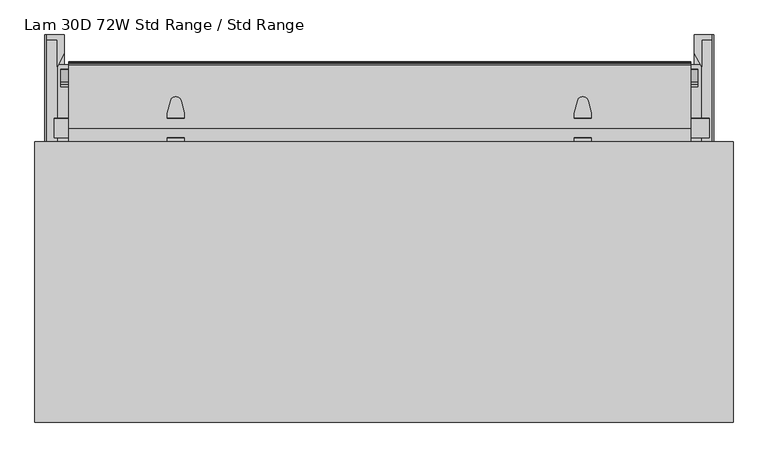
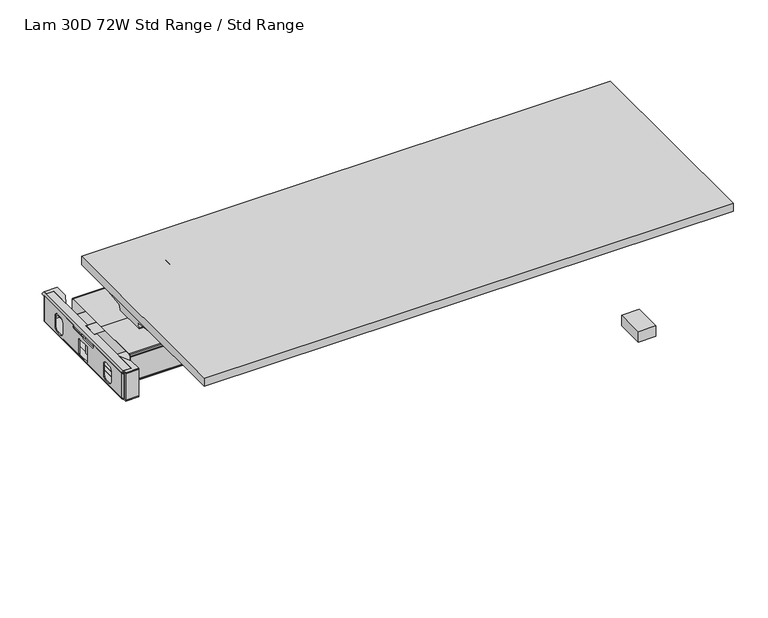
"""IFC4 building model written with IfcOpenShell, lengths in millimetres: furniture geometry, Lam 30D 72W Std Range / Std Range."""

from ifc_helpers import new_model, si_unit, point, frame, frame_2d, origin, place, context, project, spatial, polyline, circle_curve, ellipse_curve, trimmed, segment, composite_curve, outline, extrude, faceted_brep, source, transform, mapped, element, save
from ifc_brep_helpers import plane_surface, cylinder_surface, revolved_surface, advanced_brep


def lam_30d_72w_std_range_std_range_af6a62ef(model_context):
    return source(origin(), model_context, "Body", "SolidModel", [
        extrude(outline(polyline([(-716.6329639, 627.2010571), (-716.6329639, 639.3704277), (-671.6647785, 639.3704277), (-671.6647785, 627.2010571), (-716.6329639, 627.2010571)])), frame((0.0, 0.0, 329.7517063), z_axis=(0.0, 0.0, 1.0), x_axis=(1.0, 0.0, 0.0)), (0.0, 0.0, 1.0), 2.6568509),
        extrude(outline(polyline([(-690.7147785, 557.0887375), (-690.7147785, 627.4425925), (-716.6329639, 627.4425925), (-716.6329639, 639.3704277), (-671.6647785, 639.3704277), (-671.6647785, 592.5319047), (-690.7147785, 557.0887375)])), frame((0.0, 0.0, 428.6948675), z_axis=(0.0, 0.0, 1.0), x_axis=(1.0, 0.0, 0.0)), (0.0, 0.0, 1.0), 2.6568509),
        extrude(outline(polyline([(-716.6329639, 158.9882127), (-716.6329639, 170.9160479), (-671.6647785, 170.9160479), (-671.6647785, 158.9882127), (-716.6329639, 158.9882127)])), frame((0.0, 0.0, 329.7517063), z_axis=(0.0, 0.0, 1.0), x_axis=(1.0, 0.0, 0.0)), (0.0, 0.0, 1.0), 2.6568509),
        extrude(outline(polyline([(-716.6329639, 158.9882127), (-716.6329639, 165.0842069), (-671.6647785, 165.0842069), (-671.6647785, 158.9882127), (-716.6329639, 158.9882127)])), frame((0.0, 0.0, 332.4085572), z_axis=(0.0, 0.0, 1.0), x_axis=(1.0, 0.0, 0.0)), (0.0, 0.0, 1.0), 96.2863103),
        extrude(outline(polyline([(-690.766129, 241.2699029), (-671.6647785, 205.8267357), (-671.6647785, 158.9882127), (-716.6329639, 158.9882127), (-716.6329639, 170.9160479), (-690.766129, 170.9160479), (-690.766129, 241.2699029)])), frame((0.0, 0.0, 428.6948675), z_axis=(0.0, 0.0, 1.0), x_axis=(1.0, 0.0, 0.0)), (0.0, 0.0, 1.0), 2.6568509),
        extrude(outline(composite_curve([segment(trimmed(circle_curve(frame_2d((-716.684237, 170.9160479)), 5.8318411), [point((-716.684237, 165.0842069))], [point((-722.5160781, 170.9160479))], False, "CARTESIAN"), True, "CONTINUOUS"), segment(polyline([(-722.5160781, 170.9160479), (-719.8593386, 170.9160479)]), True, "CONTINUOUS"), segment(trimmed(circle_curve(frame_2d((-716.6843029, 170.9160843)), 3.1750357), [point((-719.8593386, 170.9160479))], [point((-716.6144408, 167.7418174))], True, "CARTESIAN"), True, "CONTINUOUS"), segment(polyline([(-716.6144408, 167.7418174), (-671.6647785, 167.7418174), (-671.6647785, 165.0842069), (-716.684237, 165.0842069)]), True, "CONTINUOUS")], self_intersect=False)), frame((0.0, 0.0, 337.371699), z_axis=(0.0, 0.0, 1.0), x_axis=(1.0, 0.0, 0.0)), (0.0, 0.0, 1.0), 87.8941627),
        extrude(outline(polyline([(342.9173325, 425.2658616), (337.0354481, 421.6463878), (337.0354481, 416.1853839), (341.0613469, 412.1594669), (457.0505017, 412.1594669), (461.0764369, 416.1853839), (461.0764369, 421.6463878), (454.0472738, 425.9718869), (627.4425766, 425.9718869), (627.4425766, 333.9274688), (170.9160479, 333.9274688), (170.9160479, 425.2658616), (342.9173325, 425.2658616)]), holes=[polyline([(233.9635599, 355.1517184), (235.6650368, 348.8017063), (240.3135539, 344.1531891), (246.663566, 342.4517305), (265.713566, 342.4517305), (272.0635599, 344.1531891), (276.7120862, 348.8017063), (278.413563, 355.1517184), (278.413563, 393.2517184), (276.7120862, 399.6017305), (272.0635599, 404.2502476), (265.713566, 405.9517063), (246.663566, 405.9517063), (240.3135539, 404.2502476), (235.6650368, 399.6017305), (233.9635599, 393.2517184), (233.9635599, 355.1517184)]), polyline([(424.4559432, 341.1336423), (424.4559432, 392.426696), (423.9200452, 394.4267193), (422.4559432, 395.8908015), (420.4559432, 396.4267063), (377.6345424, 396.4267063), (375.6345441, 395.8908015), (374.1704415, 394.4267193), (373.6345435, 392.426696), (373.6345435, 341.1336423), (374.1704415, 339.1336554), (375.6345441, 337.6695369), (377.6345424, 337.1336321), (420.4559432, 337.1336321), (422.4559432, 337.6695369), (423.9200452, 339.1336554), (424.4559432, 341.1336423)]), polyline([(564.1483295, 355.1517184), (564.1483295, 393.2517184), (562.4468527, 399.6017305), (557.7983356, 404.2502476), (551.4483235, 405.9517063), (532.3983235, 405.9517063), (526.0483295, 404.2502476), (521.3998033, 399.6017305), (519.6983265, 393.2517184), (519.6983265, 355.1517184), (521.3998033, 348.8017063), (526.0483295, 344.1531891), (532.3983235, 342.4517305), (551.4483235, 342.4517305), (557.7983356, 344.1531891), (562.4468527, 348.8017063), (564.1483295, 355.1517184)])]), frame((-722.5160781, 0.0, 0.0), z_axis=(1.0, 0.0, 0.0), x_axis=(0.0, 1.0, 0.0)), (0.0, 0.0, 1.0), 2.6568146),
        extrude(outline(composite_curve([segment(trimmed(circle_curve(frame_2d((425.1720964, -716.3268352)), 6.1899531), [point((431.3517184, -716.6843144))], [point((425.2658616, -722.5160781))], False, "CARTESIAN"), True, "CONTINUOUS"), segment(polyline([(425.2658616, -722.5160781), (425.2658616, -719.8895529)]), True, "CONTINUOUS"), segment(trimmed(circle_curve(frame_2d((425.2452738, -716.4400206)), 3.4495937), [point((425.2658616, -719.8895529))], [point((428.6948675, -716.4400206))], True, "CARTESIAN"), True, "CONTINUOUS"), segment(polyline([(428.6948675, -716.4400206), (428.6948675, -690.766129), (431.3517184, -690.766129), (431.3517184, -716.6843144)]), True, "CONTINUOUS")], self_intersect=False)), frame((0.0, 170.9160479, 0.0), z_axis=(0.0, 1.0, 0.0), x_axis=(0.0, 0.0, 1.0)), (0.0, 0.0, 1.0), 468.4543798),
        extrude(outline(composite_curve([segment(polyline([(-716.6841619, 633.0328981), (-672.5648392, 633.0328981), (-672.5648392, 630.3752876), (-716.6143657, 630.3752876)]), True, "CONTINUOUS"), segment(trimmed(circle_curve(frame_2d((-716.6842278, 627.2010206)), 3.1750357), [point((-716.6143657, 630.3752876))], [point((-719.8592635, 627.2010571))], True, "CARTESIAN"), True, "CONTINUOUS"), segment(polyline([(-719.8592635, 627.2010571), (-722.5160029, 627.2010571)]), True, "CONTINUOUS"), segment(trimmed(circle_curve(frame_2d((-716.6841619, 627.2010571)), 5.8318411), [point((-722.5160029, 627.2010571))], [point((-716.6841619, 633.0328981))], False, "CARTESIAN"), True, "CONTINUOUS")], self_intersect=False)), frame((0.0, 0.0, 337.371699), z_axis=(0.0, 0.0, 1.0), x_axis=(1.0, 0.0, 0.0)), (0.0, 0.0, 1.0), 87.8941627),
        extrude(outline(composite_curve([segment(polyline([(335.5835451, -719.8592635), (335.5835451, -722.5160029)]), True, "CONTINUOUS"), segment(trimmed(circle_curve(frame_2d((335.5835451, -716.6841641)), 5.8318388), [point((335.5835451, -722.5160029))], [point((329.7517063, -716.6841641))], False, "CARTESIAN"), True, "CONTINUOUS"), segment(polyline([(329.7517063, -716.6841641), (329.7517063, -671.6647785), (332.4090868, -671.6647785), (332.4090868, -716.6263376)]), True, "CONTINUOUS"), segment(trimmed(circle_curve(frame_2d((335.5834916, -716.684329)), 3.1749345), [point((332.4090868, -716.6263376))], [point((335.5835451, -719.8592635))], True, "CARTESIAN"), True, "CONTINUOUS")], self_intersect=False)), frame((0.0, 170.9160479, 0.0), z_axis=(0.0, 1.0, 0.0), x_axis=(0.0, 0.0, 1.0)), (0.0, 0.0, 1.0), 456.2850092),
        extrude(outline(polyline([(988.613747, 562.6755316), (988.613747, 235.531324), (-694.0181082, 235.531324), (-694.0181082, 562.6755316), (988.613747, 562.6755316)])), frame((0.0, 0.0, 332.4090868), z_axis=(0.0, 0.0, 1.0), x_axis=(1.0, 0.0, 0.0)), (0.0, 0.0, 1.0), 1.518382),
        extrude(outline(polyline([(997.2505912, 639.3704277), (997.2505912, 633.2744336), (952.2824058, 633.2744336), (952.2824058, 639.3704277), (997.2505912, 639.3704277)])), frame((0.0, 0.0, 332.4085572), z_axis=(0.0, 0.0, 1.0), x_axis=(1.0, 0.0, 0.0)), (0.0, 0.0, 1.0), 96.2863103),
        extrude(outline(polyline([(997.2505912, 639.3704277), (997.2505912, 627.2010571), (952.2824058, 627.2010571), (952.2824058, 639.3704277), (997.2505912, 639.3704277)])), frame((0.0, 0.0, 329.7517063), z_axis=(0.0, 0.0, 1.0), x_axis=(1.0, 0.0, 0.0)), (0.0, 0.0, 1.0), 2.6568509),
        extrude(outline(polyline([(971.3324058, 557.0887375), (952.2824058, 592.5319047), (952.2824058, 639.3704277), (997.2505912, 639.3704277), (997.2505912, 627.4425925), (971.3324058, 627.4425925), (971.3324058, 557.0887375)])), frame((0.0, 0.0, 428.6948675), z_axis=(0.0, 0.0, 1.0), x_axis=(1.0, 0.0, 0.0)), (0.0, 0.0, 1.0), 2.6568509),
        extrude(outline(polyline([(997.2505912, 170.9160479), (997.2505912, 158.9882127), (952.2824058, 158.9882127), (952.2824058, 170.9160479), (997.2505912, 170.9160479)])), frame((0.0, 0.0, 329.7517063), z_axis=(0.0, 0.0, 1.0), x_axis=(1.0, 0.0, 0.0)), (0.0, 0.0, 1.0), 2.6568509),
        extrude(outline(polyline([(997.2505912, 165.0842069), (997.2505912, 158.9882127), (952.2824058, 158.9882127), (952.2824058, 165.0842069), (997.2505912, 165.0842069)])), frame((0.0, 0.0, 332.4085572), z_axis=(0.0, 0.0, 1.0), x_axis=(1.0, 0.0, 0.0)), (0.0, 0.0, 1.0), 96.2863103),
        extrude(outline(polyline([(971.3324058, 241.2699029), (971.3324058, 170.9160479), (997.2505912, 170.9160479), (997.2505912, 158.9882127), (952.2824058, 158.9882127), (952.2824058, 205.8267357), (971.3324058, 241.2699029)])), frame((0.0, 0.0, 428.6948675), z_axis=(0.0, 0.0, 1.0), x_axis=(1.0, 0.0, 0.0)), (0.0, 0.0, 1.0), 2.6568509),
        extrude(outline(composite_curve([segment(polyline([(997.3018643, 165.0842069), (952.2824058, 165.0842069), (952.2824058, 167.7418174), (997.2320682, 167.7418174)]), True, "CONTINUOUS"), segment(trimmed(circle_curve(frame_2d((997.3019303, 170.9160843)), 3.1750357), [point((997.2320682, 167.7418174))], [point((1000.476966, 170.9160479))], True, "CARTESIAN"), True, "CONTINUOUS"), segment(polyline([(1000.476966, 170.9160479), (1003.1337054, 170.9160479)]), True, "CONTINUOUS"), segment(trimmed(circle_curve(frame_2d((997.3018643, 170.9160479)), 5.8318411), [point((1003.1337054, 170.9160479))], [point((997.3018643, 165.0842069))], False, "CARTESIAN"), True, "CONTINUOUS")], self_intersect=False)), frame((0.0, 0.0, 337.371699), z_axis=(0.0, 0.0, 1.0), x_axis=(1.0, 0.0, 0.0)), (0.0, 0.0, 1.0), 87.8941627),
        extrude(outline(polyline([(342.9173325, 425.2658616), (337.0354481, 421.6463878), (337.0354481, 416.1853839), (341.0613469, 412.1594669), (457.0505017, 412.1594669), (461.0764369, 416.1853839), (461.0764369, 421.6463878), (454.0472738, 425.9718869), (627.4425766, 425.9718869), (627.4425766, 333.9274688), (170.9160479, 333.9274688), (170.9160479, 425.2658616), (342.9173325, 425.2658616)]), holes=[polyline([(233.9635599, 355.1517184), (235.6650368, 348.8017063), (240.3135539, 344.1531891), (246.663566, 342.4517305), (265.713566, 342.4517305), (272.0635599, 344.1531891), (276.7120862, 348.8017063), (278.413563, 355.1517184), (278.413563, 393.2517184), (276.7120862, 399.6017305), (272.0635599, 404.2502476), (265.713566, 405.9517063), (246.663566, 405.9517063), (240.3135539, 404.2502476), (235.6650368, 399.6017305), (233.9635599, 393.2517184), (233.9635599, 355.1517184)]), polyline([(424.4559432, 341.1336423), (424.4559432, 392.426696), (423.9200452, 394.4267193), (422.4559432, 395.8908015), (420.4559432, 396.4267063), (377.6345424, 396.4267063), (375.6345441, 395.8908015), (374.1704415, 394.4267193), (373.6345435, 392.426696), (373.6345435, 341.1336423), (374.1704415, 339.1336554), (375.6345441, 337.6695369), (377.6345424, 337.1336321), (420.4559432, 337.1336321), (422.4559432, 337.6695369), (423.9200452, 339.1336554), (424.4559432, 341.1336423)]), polyline([(564.1483295, 355.1517184), (564.1483295, 393.2517184), (562.4468527, 399.6017305), (557.7983356, 404.2502476), (551.4483235, 405.9517063), (532.3983235, 405.9517063), (526.0483295, 404.2502476), (521.3998033, 399.6017305), (519.6983265, 393.2517184), (519.6983265, 355.1517184), (521.3998033, 348.8017063), (526.0483295, 344.1531891), (532.3983235, 342.4517305), (551.4483235, 342.4517305), (557.7983356, 344.1531891), (562.4468527, 348.8017063), (564.1483295, 355.1517184)])]), frame((997.2505912, 0.0, 0.0), z_axis=(1.0, 0.0, 0.0), x_axis=(0.0, 1.0, 0.0)), (0.0, 0.0, 1.0), 3.2262996),
        faceted_brep([(943.1400259, 227.963817, 425.8310036), (943.1400259, 227.963817, 340.2751793), (943.1400259, 227.963817, 338.091367), (943.1400259, 228.9762009, 334.3130557), (943.1400259, 231.7467258, 331.542549), (943.1400259, 235.531324, 330.5284757), (943.1400259, 398.8377457, 330.5284757), (943.1400259, 562.8273164, 330.5284757), (943.1400259, 566.6119146, 331.542549), (943.1400259, 569.3824396, 334.3130557), (943.1400259, 570.3948234, 338.091367), (943.1400259, 570.3948234, 340.2751793), (943.1400259, 570.3948234, 425.8310036), (943.1400259, 569.4215919, 429.4631947), (943.1400259, 566.6102252, 432.3861267), (943.1400259, 562.825627, 433.4002), (943.1400259, 397.785447, 433.4002), (943.1400259, 235.5330134, 433.4002), (943.1400259, 231.7484152, 432.3861267), (943.1400259, 228.9370485, 429.4631947), (943.1400259, 235.5330134, 432.1810157), (943.1400259, 396.9389352, 432.1810157), (943.1400259, 562.825627, 432.1810157), (943.1400259, 566.000633, 431.3302682), (943.1400259, 568.3248916, 429.0059915), (943.1400259, 569.1756391, 425.8310036), (943.1400259, 569.1756391, 340.2751793), (943.1400259, 569.1756391, 338.0914349), (943.1400259, 568.326581, 334.9226842), (943.1400259, 566.0023225, 332.5984075), (943.1400259, 562.8273164, 331.74766), (943.1400259, 397.7786116, 331.74766), (943.1400259, 235.531324, 331.74766), (943.1400259, 232.3563179, 332.5984075), (943.1400259, 230.0320594, 334.9226842), (943.1400259, 229.1830013, 338.0914349), (943.1400259, 229.1830013, 340.2751793), (943.1400259, 229.1830013, 425.8310036), (943.1400259, 230.0337488, 429.0059915), (943.1400259, 232.3580074, 431.3302682), (-660.9408985, 227.963817, 425.8310036), (-660.9408985, 228.9370485, 429.4631947), (-660.9408985, 231.7484152, 432.3861267), (-660.9408985, 235.5330134, 433.4002), (-660.9408985, 397.785447, 433.4002), (-660.9408985, 562.825627, 433.4002), (-660.9408985, 566.6102252, 432.3861267), (-660.9408985, 569.4215919, 429.4631947), (-660.9408985, 570.3948234, 425.8310036), (-660.9408985, 570.3948234, 340.2751793), (-660.9408985, 570.3948234, 338.091367), (-660.9408985, 569.3824396, 334.3130557), (-660.9408985, 566.6119146, 331.542549), (-660.9408985, 562.8273164, 330.5284757), (-660.9408985, 398.8377457, 330.5284757), (-660.9408985, 235.531324, 330.5284757), (-660.9408985, 231.7467258, 331.542549), (-660.9408985, 228.9762009, 334.3130557), (-660.9408985, 227.963817, 338.091367), (-660.9408985, 227.963817, 340.2751793), (-660.9408985, 235.5330134, 432.1810157), (-660.9408985, 232.3580074, 431.3302682), (-660.9408985, 230.0337488, 429.0059915), (-660.9408985, 229.1830013, 425.8310036), (-660.9408985, 229.1830013, 340.2751793), (-660.9408985, 229.1830013, 338.0914349), (-660.9408985, 230.0320594, 334.9226842), (-660.9408985, 232.3563179, 332.5984075), (-660.9408985, 235.531324, 331.74766), (-660.9408985, 397.7786116, 331.74766), (-660.9408985, 562.8273164, 331.74766), (-660.9408985, 566.0023225, 332.5984075), (-660.9408985, 568.326581, 334.9226842), (-660.9408985, 569.1756391, 338.0914349), (-660.9408985, 569.1756391, 340.2751793), (-660.9408985, 569.1756391, 425.8310036), (-660.9408985, 568.3248916, 429.0059915), (-660.9408985, 566.000633, 431.3302682), (-660.9408985, 562.825627, 432.1810157), (-660.9408985, 396.9389352, 432.1810157), (-406.7047758, 360.9565261, 432.1810157), (-398.0451218, 328.5218157, 432.1810157), (-395.6303984, 323.3434246, 432.1810157), (-391.1899754, 319.7476409, 432.1810157), (-385.6226676, 318.4623267, 432.1810157), (-383.336917, 318.4623267, 432.1810157), (-377.7696093, 319.7476409, 432.1810157), (-373.3291863, 323.3434246, 432.1810157), (-370.9144421, 328.5218604, 432.1810157), (-362.2548, 360.9565261, 432.1810157), (-362.2548, 373.6565253, 432.1810157), (-406.7047758, 373.6565253, 432.1810157), (687.2587307, 360.9565261, 432.1810157), (687.2587307, 373.6565253, 432.1810157), (642.8087549, 373.6565253, 432.1810157), (642.8087549, 360.9565261, 432.1810157), (651.468397, 328.5218604, 432.1810157), (653.8831412, 323.3434246, 432.1810157), (658.3235642, 319.7476409, 432.1810157), (663.890872, 318.4623267, 432.1810157), (666.1766226, 318.4623267, 432.1810157), (671.7439303, 319.7476409, 432.1810157), (676.1843533, 323.3434246, 432.1810157), (678.5990767, 328.5218157, 432.1810157), (-398.0451218, 328.5218157, 433.4002), (-406.7047758, 360.9565261, 433.4002), (-406.7047758, 373.6565253, 433.4002), (-362.2548, 373.6565253, 433.4002), (-362.2548, 360.9565261, 433.4002), (-370.9144421, 328.5218604, 433.4002), (-373.3291863, 323.3434246, 433.4002), (-377.7696093, 319.7476409, 433.4002), (-383.336917, 318.4623267, 433.4002), (-385.6226676, 318.4623267, 433.4002), (-391.1899754, 319.7476409, 433.4002), (-395.6303984, 323.3434246, 433.4002), (687.2587307, 373.6565253, 433.4002), (687.2587307, 360.9565261, 433.4002), (678.5990767, 328.5218157, 433.4002), (676.1843533, 323.3434246, 433.4002), (671.7439303, 319.7476409, 433.4002), (666.1766226, 318.4623267, 433.4002), (663.890872, 318.4623267, 433.4002), (658.3235642, 319.7476409, 433.4002), (653.8831412, 323.3434246, 433.4002), (651.468397, 328.5218604, 433.4002), (642.8087549, 360.9565261, 433.4002), (642.8087549, 373.6565253, 433.4002), (-406.7047758, 424.7021151, 433.4002), (-406.7047758, 437.4021143, 433.4002), (-398.0451218, 469.8368247, 433.4002), (-395.6303984, 475.0152158, 433.4002), (-391.1899754, 478.6109995, 433.4002), (-385.6226676, 479.8963137, 433.4002), (-383.336917, 479.8963137, 433.4002), (-377.7696093, 478.6109995, 433.4002), (-373.3291863, 475.0152158, 433.4002), (-370.9144421, 469.83678, 433.4002), (-362.2548, 437.4021143, 433.4002), (-362.2548, 424.7021151, 433.4002), (678.5990767, 469.8368247, 433.4002), (687.2587307, 437.4021143, 433.4002), (687.2587307, 424.7021151, 433.4002), (642.8087549, 424.7021151, 433.4002), (642.8087549, 437.4021143, 433.4002), (651.468397, 469.83678, 433.4002), (653.8831412, 475.0152158, 433.4002), (658.3235642, 478.6109995, 433.4002), (663.890872, 479.8963137, 433.4002), (666.1766226, 479.8963137, 433.4002), (671.7439303, 478.6109995, 433.4002), (676.1843533, 475.0152158, 433.4002), (-406.7047758, 437.4021143, 432.1810157), (-406.7047758, 424.7021151, 432.1810157), (-362.2548, 424.7021151, 432.1810157), (-362.2548, 437.4021143, 432.1810157), (-370.9144421, 469.83678, 432.1810157), (-373.3291863, 475.0152158, 432.1810157), (-377.7696093, 478.6109995, 432.1810157), (-383.336917, 479.8963137, 432.1810157), (-385.6226676, 479.8963137, 432.1810157), (-391.1899754, 478.6109995, 432.1810157), (-395.6303984, 475.0152158, 432.1810157), (-398.0451218, 469.8368247, 432.1810157), (687.2587307, 437.4021143, 432.1810157), (678.5990767, 469.8368247, 432.1810157), (676.1843533, 475.0152158, 432.1810157), (671.7439303, 478.6109995, 432.1810157), (666.1766226, 479.8963137, 432.1810157), (663.890872, 479.8963137, 432.1810157), (658.3235642, 478.6109995, 432.1810157), (653.8831412, 475.0152158, 432.1810157), (651.468397, 469.83678, 432.1810157), (642.8087549, 437.4021143, 432.1810157), (642.8087549, 424.7021151, 432.1810157), (687.2587307, 424.7021151, 432.1810157)], [[[0, 1, 2, 3, 4, 5, 6, 7, 8, 9, 10, 11, 12, 13, 14, 15, 16, 17, 18, 19], [20, 21, 22, 23, 24, 25, 26, 27, 28, 29, 30, 31, 32, 33, 34, 35, 36, 37, 38, 39]], [[40, 41, 42, 43, 44, 45, 46, 47, 48, 49, 50, 51, 52, 53, 54, 55, 56, 57, 58, 59], [60, 61, 62, 63, 64, 65, 66, 67, 68, 69, 70, 71, 72, 73, 74, 75, 76, 77, 78, 79]], [[37, 36, 64, 63]], [[38, 37, 63, 62]], [[39, 38, 62, 61]], [[20, 39, 61, 60]], [[21, 20, 60, 79], [80, 81, 82, 83, 84, 85, 86, 87, 88, 89, 90, 91], [92, 93, 94, 95, 96, 97, 98, 99, 100, 101, 102, 103]], [[17, 16, 44, 43], [104, 105, 106, 107, 108, 109, 110, 111, 112, 113, 114, 115], [116, 117, 118, 119, 120, 121, 122, 123, 124, 125, 126, 127]], [[18, 17, 43, 42]], [[19, 18, 42, 41]], [[0, 19, 41, 40]], [[1, 0, 40, 59]], [[2, 1, 59, 58]], [[3, 2, 58, 57]], [[4, 3, 57, 56]], [[5, 4, 56, 55]], [[6, 5, 55, 54]], [[7, 6, 54, 53]], [[8, 7, 53, 52]], [[9, 8, 52, 51]], [[10, 9, 51, 50]], [[11, 10, 50, 49]], [[12, 11, 49, 48]], [[13, 12, 48, 47]], [[14, 13, 47, 46]], [[15, 14, 46, 45]], [[16, 15, 45, 44], [128, 129, 130, 131, 132, 133, 134, 135, 136, 137, 138, 139], [140, 141, 142, 143, 144, 145, 146, 147, 148, 149, 150, 151]], [[22, 21, 79, 78], [152, 153, 154, 155, 156, 157, 158, 159, 160, 161, 162, 163], [164, 165, 166, 167, 168, 169, 170, 171, 172, 173, 174, 175]], [[23, 22, 78, 77]], [[24, 23, 77, 76]], [[25, 24, 76, 75]], [[26, 25, 75, 74]], [[27, 26, 74, 73]], [[28, 27, 73, 72]], [[29, 28, 72, 71]], [[30, 29, 71, 70]], [[31, 30, 70, 69]], [[32, 31, 69, 68]], [[33, 32, 68, 67]], [[34, 33, 67, 66]], [[35, 34, 66, 65]], [[36, 35, 65, 64]], [[80, 105, 104, 81]], [[81, 104, 115, 82]], [[82, 115, 114, 83]], [[83, 114, 113, 84]], [[84, 113, 112, 85]], [[85, 112, 111, 86]], [[86, 111, 110, 87]], [[87, 110, 109, 88]], [[88, 109, 108, 89]], [[89, 108, 107, 90]], [[90, 107, 106, 91]], [[105, 80, 91, 106]], [[92, 117, 116, 93]], [[93, 116, 127, 94]], [[94, 127, 126, 95]], [[95, 126, 125, 96]], [[96, 125, 124, 97]], [[97, 124, 123, 98]], [[98, 123, 122, 99]], [[99, 122, 121, 100]], [[100, 121, 120, 101]], [[101, 120, 119, 102]], [[102, 119, 118, 103]], [[117, 92, 103, 118]], [[152, 129, 128, 153]], [[153, 128, 139, 154]], [[154, 139, 138, 155]], [[155, 138, 137, 156]], [[156, 137, 136, 157]], [[157, 136, 135, 158]], [[158, 135, 134, 159]], [[159, 134, 133, 160]], [[160, 133, 132, 161]], [[161, 132, 131, 162]], [[162, 131, 130, 163]], [[129, 152, 163, 130]], [[164, 141, 140, 165]], [[165, 140, 151, 166]], [[166, 151, 150, 167]], [[167, 150, 149, 168]], [[168, 149, 148, 169]], [[169, 148, 147, 170]], [[170, 147, 146, 171]], [[171, 146, 145, 172]], [[172, 145, 144, 173]], [[173, 144, 143, 174]], [[174, 143, 142, 175]], [[141, 164, 175, 142]]]),
        extrude(outline(composite_curve([segment(trimmed(circle_curve(frame_2d((422.8428694, 431.8444538)), 1.5557462), [point((422.8428694, 433.4002))], [point((424.3986156, 431.8444538))], False, "CARTESIAN"), True, "CONTINUOUS"), segment(polyline([(424.3986156, 431.8444538), (424.3986156, 333.9274688), (374.3606156, 333.9274688), (374.3606156, 433.4002), (422.8428694, 433.4002)]), True, "CONTINUOUS")], self_intersect=False)), frame((-698.3783882, 0.0, 0.0), z_axis=(1.0, 0.0, 0.0), x_axis=(0.0, 1.0, 0.0)), (0.0, 0.0, 1.0), 1689.2789923),
        extrude(outline(composite_curve([segment(polyline([(431.3517184, 997.2505912), (431.3517184, 971.3324058), (428.6948675, 971.3324058), (428.6948675, 997.0062975)]), True, "CONTINUOUS"), segment(trimmed(circle_curve(frame_2d((425.2452738, 997.0062975)), 3.4495937), [point((428.6948675, 997.0062975))], [point((425.2658616, 1000.4558297))], True, "CARTESIAN"), True, "CONTINUOUS"), segment(polyline([(425.2658616, 1000.4558297), (425.2658616, 1003.0823549)]), True, "CONTINUOUS"), segment(trimmed(circle_curve(frame_2d((425.1720964, 996.893112)), 6.1899531), [point((425.2658616, 1003.0823549))], [point((431.3517184, 997.2505912))], False, "CARTESIAN"), True, "CONTINUOUS")], self_intersect=False)), frame((0.0, 170.9160479, 0.0), z_axis=(0.0, 1.0, 0.0), x_axis=(0.0, 0.0, 1.0)), (0.0, 0.0, 1.0), 468.4543798),
        extrude(outline(composite_curve([segment(trimmed(circle_curve(frame_2d((996.4017284, 627.2010571)), 5.8318411), [point((996.4017284, 633.0328981))], [point((1002.2335695, 627.2010571))], False, "CARTESIAN"), True, "CONTINUOUS"), segment(polyline([(1002.2335695, 627.2010571), (999.5768301, 627.2010571)]), True, "CONTINUOUS"), segment(trimmed(circle_curve(frame_2d((996.4017944, 627.2010206)), 3.1750357), [point((999.5768301, 627.2010571))], [point((996.3319323, 630.3752876))], True, "CARTESIAN"), True, "CONTINUOUS"), segment(polyline([(996.3319323, 630.3752876), (952.2824058, 630.3752876), (952.2824058, 633.0328981), (996.4017284, 633.0328981)]), True, "CONTINUOUS")], self_intersect=False)), frame((0.0, 0.0, 337.371699), z_axis=(0.0, 0.0, 1.0), x_axis=(1.0, 0.0, 0.0)), (0.0, 0.0, 1.0), 87.8941627),
        extrude(outline(composite_curve([segment(trimmed(circle_curve(frame_2d((335.5834916, 997.3019564)), 3.1749345), [point((335.5835451, 1000.4768908))], [point((332.4090868, 997.243965))], True, "CARTESIAN"), True, "CONTINUOUS"), segment(polyline([(332.4090868, 997.243965), (332.4090868, 952.2824058), (329.7517063, 952.2824058), (329.7517063, 997.3017915)]), True, "CONTINUOUS"), segment(trimmed(circle_curve(frame_2d((335.5835451, 997.3017915)), 5.8318388), [point((329.7517063, 997.3017915))], [point((335.5835451, 1003.1336303))], False, "CARTESIAN"), True, "CONTINUOUS"), segment(polyline([(335.5835451, 1003.1336303), (335.5835451, 1000.4768908)]), True, "CONTINUOUS")], self_intersect=False)), frame((0.0, 170.9160479, 0.0), z_axis=(0.0, 1.0, 0.0), x_axis=(0.0, 0.0, 1.0)), (0.0, 0.0, 1.0), 456.2850092),
        extrude(outline(polyline([(247.9512827, 383.2085327), (249.1812376, 384.0998213), (279.7035642, 341.9798116), (286.6253346, 336.0569173), (295.8489895, 333.9274688), (417.8747239, 333.9274688), (502.5096509, 333.9274688), (511.7333058, 336.0569173), (518.6550762, 341.9798116), (549.1774028, 384.0998213), (550.4073577, 383.2085327), (519.8850248, 341.0885143), (512.423716, 334.7039476), (502.7693005, 332.4750501), (402.1125576, 332.4750501), (295.5893399, 332.4750501), (285.9349244, 334.7039476), (278.4736156, 341.0885143), (247.9512827, 383.2085327)])), frame((-681.3524342, 0.0, 0.0), z_axis=(1.0, 0.0, 0.0), x_axis=(0.0, 1.0, 0.0)), (0.0, 0.0, 1.0), 1643.2018538),
        advanced_brep(
        [(1001.776, 127.2221653, 10.2361894), (1001.776, 141.2419153, 10.2361894), (1001.776, 140.8547401, 8.7946116), (1001.776, 127.6093405, 8.7946116), (1001.776, 134.2320403, 10.2361894), (1001.776, 113.2751519, 0.0), (1001.776, 155.1889286, 0.0), (1001.776, 134.2320403, 0.0), (1001.776, 111.7314216, 1.5436985), (1001.776, 156.732659, 1.5436985), (1001.776, 111.7314763, 4.1072626), (1001.776, 156.7326043, 4.1072626), (1001.776, 113.2713167, 5.9174378), (1001.776, 155.1927639, 5.9174378)],
        [
            (0, 1, circle_curve(frame((1001.776, 134.2320403, 10.2361894), z_axis=(0.0, 0.0, -1.0), x_axis=(0.0, 1.0, 0.0)), 7.009875)),
            (1, 2),
            (2, 3, circle_curve(frame((1001.776, 134.2320403, 8.7946116), z_axis=(0.0, 0.0, 1.0), x_axis=(0.0, 1.0, 0.0)), 6.6226998)),
            (3, 0),
            (1, 0, circle_curve(frame((1001.776, 134.2320403, 10.2361894), z_axis=(0.0, 0.0, -1.0), x_axis=(0.0, 1.0, 0.0)), 7.009875)),
            (3, 2, circle_curve(frame((1001.776, 134.2320403, 8.7946116), z_axis=(0.0, 0.0, 1.0), x_axis=(0.0, 1.0, 0.0)), 6.6226998)),
            (4, 1),
            (0, 4),
            (5, 6, circle_curve(frame((1001.776, 134.2320403, 0.0), z_axis=(0.0, 0.0, -1.0), x_axis=(0.0, 1.0, 0.0)), 20.9568884)),
            (6, 7),
            (7, 5),
            (6, 5, circle_curve(frame((1001.776, 134.2320403, 0.0), z_axis=(0.0, 0.0, -1.0), x_axis=(0.0, 1.0, 0.0)), 20.9568884)),
            (8, 9, circle_curve(frame((1001.776, 134.2320403, 1.5436985), z_axis=(0.0, 0.0, -1.0), x_axis=(0.0, 1.0, 0.0)), 22.5006187)),
            (9, 6),
            (5, 8),
            (9, 8, circle_curve(frame((1001.776, 134.2320403, 1.5436985), z_axis=(0.0, 0.0, -1.0), x_axis=(0.0, 1.0, 0.0)), 22.5006187)),
            (10, 11, circle_curve(frame((1001.776, 134.2320403, 4.1072626), z_axis=(0.0, 0.0, -1.0), x_axis=(0.0, 1.0, 0.0)), 22.500564)),
            (11, 9),
            (8, 10),
            (11, 10, circle_curve(frame((1001.776, 134.2320403, 4.1072626), z_axis=(0.0, 0.0, -1.0), x_axis=(0.0, 1.0, 0.0)), 22.500564)),
            (12, 13, circle_curve(frame((1001.776, 134.2320403, 5.9174378), z_axis=(0.0, 0.0, -1.0), x_axis=(0.0, 1.0, 0.0)), 20.9607236)),
            (13, 11),
            (10, 12),
            (13, 12, circle_curve(frame((1001.776, 134.2320403, 5.9174378), z_axis=(0.0, 0.0, -1.0), x_axis=(0.0, 1.0, 0.0)), 20.9607236)),
            (2, 13),
            (12, 3),
        ],
        [
            revolved_surface(polyline([(1001.776, 140.8547401, 8.7946116), (1001.776, 141.2419153, 10.2361894)]), (1001.776, 134.2320403, 0.0), (0.0, 0.0, 1.0)),
            plane_surface(frame((1001.776, 134.2320403, 10.2361894), z_axis=(0.0, 0.0, 1.0), x_axis=(0.0, 1.0, 0.0))),
            plane_surface(frame((1001.776, 134.2320403, 0.0), z_axis=(0.0, 0.0, -1.0), x_axis=(0.0, 1.0, 0.0))),
            revolved_surface(polyline([(1001.776, 155.1889286, 0.0), (1001.776, 156.732659, 1.5436985)]), (1001.776, 134.2320403, 0.0), (0.0, 0.0, 1.0)),
            cylinder_surface(frame((1001.776, 134.2320403, 0.0), z_axis=(0.0, 0.0, 1.0), x_axis=(0.0, 1.0, 0.0)), 22.500564),
            revolved_surface(polyline([(1001.776, 156.7327498, 4.1072626), (1001.776, 155.1927639, 5.9174378)]), (1001.776, 134.2320403, 0.0), (0.0, 0.0, 1.0)),
            revolved_surface(polyline([(1001.776, 155.1927639, 5.9174378), (1001.776, 140.8547401, 8.7946116)]), (1001.776, 134.2320403, 0.0), (0.0, 0.0, 1.0)),
        ],
        [
            (0, [[1, 2, 3, 4]]),
            (0, [[5, -4, 6, -2]]),
            (1, [[7, -1, 8]]),
            (1, [[-8, -5, -7]]),
            (2, [[9, 10, 11]]),
            (2, [[12, -11, -10]]),
            (3, [[13, 14, -9, 15]]),
            (3, [[16, -15, -12, -14]]),
            (4, [[17, 18, -13, 19]]),
            (4, [[20, -19, -16, -18]]),
            (5, [[21, 22, -17, 23]]),
            (5, [[24, -23, -20, -22]]),
            (6, [[-3, 25, -21, 26]]),
            (6, [[-6, -26, -24, -25]]),
        ],
    ),
        extrude(outline(polyline([(971.8675, 59.6052169), (971.8675, 158.9882127), (1031.6845, 158.9882127), (1031.6845, 59.6052169), (971.8675, 59.6052169)])), frame((0.0, 0.0, 10.2361894), z_axis=(0.0, 0.0, 1.0), x_axis=(1.0, 0.0, 0.0)), (0.0, 0.0, 1.0), 37.8638679),
        faceted_brep([(-551.2773962, 55.272954, 622.0870648), (-551.2773962, 50.1740464, 622.688627), (-551.2773962, 45.3456348, 624.4650084), (-551.2773962, 41.0496397, 627.3308218), (-551.2773962, 37.5298328, 631.1414904), (-551.2773962, 12.4262052, 665.7838526), (-551.2773962, 13.1647048, 666.3190068), (-551.2773962, 38.2683233, 631.6766321), (-551.2773962, 41.6416276, 628.0245295), (-551.2773962, 45.7588181, 625.2780401), (-551.2773962, 50.386261, 623.5755641), (-551.2773962, 55.272954, 622.9990731), (-551.2773962, 204.7515752, 622.9990731), (-551.2773962, 209.6382319, 623.5755641), (-551.2773962, 214.2656929, 625.2780401), (-551.2773962, 218.3829016, 628.0245295), (-551.2773962, 221.756215, 631.6766321), (-551.2773962, 246.9223387, 666.4052536), (-551.2773962, 269.6159703, 703.1651011), (-551.2773962, 270.6848248, 703.1651011), (-551.2773962, 247.6608202, 665.8701118), (-551.2773962, 222.4946964, 631.1414904), (-551.2773962, 218.9748804, 627.3308218), (-551.2773962, 214.6788853, 624.4650084), (-551.2773962, 209.8504555, 622.6885906), (-551.2773962, 204.7515752, 622.0870648), (856.2619573, 55.272954, 622.0870648), (856.2619573, 204.7515752, 622.0870648), (856.2619573, 209.8504555, 622.6885906), (856.2619573, 214.6788853, 624.4650084), (856.2619573, 218.9748804, 627.3308218), (856.2619573, 222.4946964, 631.1414904), (856.2619573, 247.6608202, 665.8701118), (856.2619573, 271.4411354, 704.390196), (856.2619573, 270.3722807, 704.390196), (856.2619573, 246.9223387, 666.4052536), (856.2619573, 221.756215, 631.6766321), (856.2619573, 218.3829016, 628.0245295), (856.2619573, 214.2656929, 625.2780401), (856.2619573, 209.6382319, 623.5755641), (856.2619573, 204.7515752, 622.9990731), (856.2619573, 55.272954, 622.9990731), (856.2619573, 50.386261, 623.5755641), (856.2619573, 45.7588181, 625.2780401), (856.2619573, 41.6416276, 628.0245295), (856.2619573, 38.2683233, 631.6766321), (856.2619573, 13.1647048, 666.3190068), (856.2619573, 12.4262052, 665.7838526), (856.2619573, 37.5298328, 631.1414904), (856.2619573, 41.0496397, 627.3308218), (856.2619573, 45.3456348, 624.4650084), (856.2619573, 50.1740464, 622.688627), (786.8287306, 246.9854259, 666.4923122), (785.9019992, 246.9223387, 666.4052536), (782.4673689, 246.6885267, 666.0825989), (250.2762341, 246.6885267, 666.0825989), (236.7911169, 246.0969944, 665.266299), (233.0274527, 244.9165407, 663.6373024), (229.1784871, 243.0630012, 661.0794643), (218.6573996, 227.6864037, 639.8601442), (214.808434, 225.8328643, 637.3023062), (210.4170596, 224.4555851, 635.4016954), (205.6522341, 223.6074373, 634.2312727), (200.6969407, 223.3210703, 633.8360933), (97.9882277, 223.3210703, 633.8360933), (93.0329343, 223.6074373, 634.2312727), (88.2680362, 224.4555851, 635.4016954), (83.8767344, 225.8328643, 637.3023062), (80.0276961, 227.6864037, 639.8601442), (69.5066813, 243.0630012, 661.0794643), (65.657643, 244.9165407, 663.6373024), (60.0080311, 246.6885267, 666.0825989), (-480.5231429, 246.6885267, 666.0825989), (-483.9577733, 246.9223387, 666.4052536), (-484.8845046, 246.9854259, 666.4923122), (-489.0142671, 247.7214779, 667.699724), (-492.6928943, 248.9196708, 669.6405939), (-495.725122, 250.5070924, 672.2119486), (-515.9901641, 267.8415142, 700.2907822), (-518.011625, 268.8997803, 702.0049944), (-520.4640916, 269.6986055, 703.2989561), (-523.2172666, 270.1955495, 704.1039215), (-526.1248653, 270.3641435, 704.3770153), (828.0690912, 266.4439815, 698.0270153), (825.1614926, 266.2753875, 697.7539215), (822.4083176, 269.6986055, 703.2989561), (819.955851, 268.8997803, 702.0049944), (817.9343901, 267.8415142, 700.2907822), (797.669348, 254.4272545, 678.5619486), (794.6371203, 248.9196708, 669.6405939), (790.9584931, 247.7214779, 667.699724), (-526.1248653, 271.4329982, 704.3770153), (-523.2172666, 271.2644042, 704.1039215), (-520.4640916, 270.76746, 703.2989561), (-518.011625, 269.9686348, 702.0049944), (-515.9901641, 268.9103685, 700.2907822), (-495.725122, 251.5759434, 672.2119486), (-492.6928943, 249.9885215, 669.6405939), (-489.0142671, 248.7903285, 667.699724), (-484.8845046, 248.0449347, 666.4923122), (-480.5231429, 247.7919987, 666.0825989), (60.0080311, 247.7919987, 666.0825989), (60.4989611, 247.6608202, 665.8701118), (246.765989, 247.6608202, 665.8701118), (250.2762341, 247.7919987, 666.0825989), (782.4673689, 247.7919987, 666.0825989), (786.8287306, 248.0449347, 666.4923122), (790.9584931, 248.7903285, 667.699724), (794.6371203, 249.9885215, 669.6405939), (797.669348, 255.4961062, 678.5619486), (817.9343901, 268.9103685, 700.2907822), (819.955851, 269.9686348, 702.0049944), (822.4083176, 270.76746, 703.2989561), (825.1614926, 267.3442414, 697.7539215), (828.0690912, 267.5128354, 698.0270153), (65.657643, 246.042813, 663.6373024), (69.5066813, 244.1892736, 661.0794643), (80.0276961, 228.812676, 639.8601442), (83.8767344, 226.9591366, 637.3023062), (88.2680362, 225.5818575, 635.4016954), (93.0329343, 224.7337097, 634.2312727), (97.9882277, 224.4473427, 633.8360933), (200.6969407, 224.4473427, 633.8360933), (205.6522341, 224.7337097, 634.2312727), (210.4170596, 225.5818575, 635.4016954), (214.808434, 226.9591366, 637.3023062), (218.6573996, 228.812676, 639.8601442), (229.1784871, 244.1892736, 661.0794643), (233.0274527, 246.042813, 663.6373024), (236.7911169, 247.2232667, 665.266299)], [[[0, 1, 2, 3, 4, 5, 6, 7, 8, 9, 10, 11, 12, 13, 14, 15, 16, 17, 18, 19, 20, 21, 22, 23, 24, 25]], [[26, 27, 28, 29, 30, 31, 32, 33, 34, 35, 36, 37, 38, 39, 40, 41, 42, 43, 44, 45, 46, 47, 48, 49, 50, 51]], [[1, 0, 26, 51]], [[2, 1, 51, 50]], [[3, 2, 50, 49]], [[4, 3, 49, 48]], [[5, 4, 48, 47]], [[6, 5, 47, 46]], [[7, 6, 46, 45]], [[8, 7, 45, 44]], [[9, 8, 44, 43]], [[10, 9, 43, 42]], [[11, 10, 42, 41]], [[12, 11, 41, 40]], [[13, 12, 40, 39]], [[14, 13, 39, 38]], [[15, 14, 38, 37]], [[16, 15, 37, 36]], [[22, 21, 31, 30]], [[23, 22, 30, 29]], [[24, 23, 29, 28]], [[25, 24, 28, 27]], [[0, 25, 27, 26]], [[17, 16, 36, 35, 52, 53, 54, 55, 56, 57, 58, 59, 60, 61, 62, 63, 64, 65, 66, 67, 68, 69, 70, 71, 72, 73, 74]], [[18, 17, 74, 75, 76, 77, 78, 79, 80, 81, 82]], [[35, 34, 83, 84, 85, 86, 87, 88, 89, 90, 52]], [[20, 19, 91, 92, 93, 94, 95, 96, 97, 98, 99, 100, 101, 102]], [[33, 32, 103, 104, 105, 106, 107, 108, 109, 110, 111, 112, 113, 114]], [[21, 20, 102, 115, 116, 117, 118, 119, 120, 121, 122, 123, 124, 125, 126, 127, 128, 129, 103, 32, 31]], [[100, 72, 71, 101]], [[129, 56, 55, 104, 103]], [[104, 55, 54, 105]], [[105, 54, 53, 52, 106]], [[106, 52, 90, 107]], [[107, 90, 89, 108]], [[108, 89, 88, 109]], [[109, 88, 87, 110]], [[110, 87, 86, 111]], [[111, 86, 85, 112]], [[112, 85, 84, 113]], [[113, 84, 83, 114]], [[91, 82, 81, 92]], [[92, 81, 80, 93]], [[93, 80, 79, 94]], [[94, 79, 78, 95]], [[95, 78, 77, 96]], [[96, 77, 76, 97]], [[97, 76, 75, 98]], [[98, 75, 74, 99]], [[72, 100, 99, 74, 73]], [[101, 71, 70, 115, 102]], [[115, 70, 69, 116]], [[116, 69, 68, 117]], [[117, 68, 67, 118]], [[118, 67, 66, 119]], [[119, 66, 65, 120]], [[120, 65, 64, 121]], [[121, 64, 63, 122]], [[122, 63, 62, 123]], [[123, 62, 61, 124]], [[124, 61, 60, 125]], [[125, 60, 59, 126]], [[126, 59, 58, 127]], [[127, 58, 57, 128]], [[56, 129, 128, 57]], [[114, 83, 34, 33]], [[82, 91, 19, 18]]]),
        extrude(outline(polyline([(1052.576, 364.3376128), (1052.576, -358.8003872), (-747.776, -358.8003872), (-747.776, 364.3376128), (1052.576, 364.3376128)])), frame((0.0, 0.0, 707.009), z_axis=(0.0, 0.0, 1.0), x_axis=(1.0, 0.0, 0.0)), (0.0, 0.0, 1.0), 29.591),
        advanced_brep(
        [(-731.4406297, 162.7292702, 658.5915733), (-565.7122138, 162.7292702, 658.5915733), (-580.0924181, 160.5008169, 655.9442785), (-728.9518591, 160.5008169, 655.9442785), (-731.6625278, 162.738256, 658.8276054), (-734.0619089, 163.3822827, 675.7443054), (-551.2773962, 163.3822827, 675.7443054), (-551.2773962, 163.0342965, 666.6037253), (-554.1075093, 162.9531058, 664.4710821), (-554.2501644, 162.8754397, 662.4310191), (-734.9185362, 168.8493181, 681.7839076), (-551.2773962, 168.8493181, 681.7839076), (-737.4393767, 283.4205225, 699.5569507), (-673.2243442, 283.4205225, 699.5569507), (-551.2773962, 202.6158, 687.0219877), (-737.5128152, 287.1965275, 700.0747243), (-678.9229255, 287.1965275, 700.0747243), (-738.1871296, 288.7067839, 704.8289399), (-736.4021288, 286.1298888, 707.009), (-677.3132011, 286.1298888, 707.009), (-738.1871296, -70.2667839, 704.8289399), (-737.5128152, -68.7565275, 700.0747243), (-678.9229255, -68.7565275, 700.0747243), (-677.3132011, -67.6898888, 707.009), (-736.4021288, -67.6898888, 707.009), (-737.4393767, -64.9805225, 699.5569507), (-673.2243442, -64.9805225, 699.5569507), (-734.9185362, 49.5906819, 681.7839076), (-551.2773962, 49.5906819, 681.7839076), (-551.2773962, 15.8242, 687.0219877), (-734.0619089, 55.0577173, 675.7443054), (-551.2773962, 55.0577173, 675.7443054), (-731.6625278, 55.701744, 658.8276054), (-731.4406297, 55.7107298, 658.5915733), (-565.7122138, 55.7107298, 658.5915733), (-554.2501644, 55.5645603, 662.4310191), (-554.1075093, 55.4868942, 664.4710821), (-551.2773962, 55.4057035, 666.6037253), (-728.9518591, 57.9391831, 655.9442785), (-580.0924181, 57.9391831, 655.9442785), (-551.2773962, 15.8242, 707.009), (-551.2773962, 202.6158, 707.009)],
        [
            (0, 1),
            (1, 2, ellipse_curve(frame((-589.9936465, 239.7670009, 750.1086722), z_axis=(0.0, 0.7650318638532662, -0.6439924279750482), x_axis=(0.0, 0.6439924279750482, 0.7650318638532662)), 123.7641411, 94.6835116)),
            (2, 3),
            (3, 0),
            (0, 4),
            (4, 5),
            (5, 6),
            (6, 7),
            (7, 8),
            (8, 9),
            (9, 1, ellipse_curve(frame((-589.9936465, 166.2133686, 750.1086722), z_axis=(0.0, 0.999276106683639, -0.03804290487316255), x_axis=(0.0, 0.03804290487316397, 0.999276106683639)), 94.752102, 94.6835116)),
            (5, 10, ellipse_curve(frame((-734.0119691, 169.8408409, 675.3922075), z_axis=(-0.9900906714849619, 0.0, -0.1404295632637843), x_axis=(-0.1404295632637846, 0.0, 0.9900906714849619)), 6.5328852, 6.4681487)),
            (10, 11),
            (11, 6, circle_curve(frame((-551.2773962, 169.8408409, 675.3922075), z_axis=(1.0, 0.0, 0.0), x_axis=(0.0, 1.0, 0.0)), 6.4681487)),
            (10, 12),
            (12, 13),
            (13, 14),
            (14, 11),
            (12, 15),
            (15, 16),
            (16, 13),
            (15, 17, ellipse_curve(frame((-737.9730772, 285.2194111, 703.3197755), z_axis=(0.9900906714849619, 0.0, 0.1404295632637843), x_axis=(0.1404295632637846, 0.0, -0.9900906714849619)), 3.8379455, 3.7999141)),
            (17, 18, ellipse_curve(frame((-739.422811, 285.2194111, 703.3197755), z_axis=(0.7737284588432124, 0.0, -0.6335173809581766), x_axis=(0.6335173809581766, 0.0, 0.7737284588432124)), 4.9111727, 3.7999141)),
            (18, 19),
            (19, 16, ellipse_curve(frame((-675.939148, 285.2194111, 703.3197755), z_axis=(-0.5523637579768881, -0.833603190297188, 0.0), x_axis=(0.833603190297188, -0.5523637579768881, 0.0)), 6.8793689, 3.7999141)),
            (20, 21, ellipse_curve(frame((-737.9730772, -66.7794111, 703.3197755), z_axis=(0.9900906714849619, 0.0, 0.1404295632637843), x_axis=(0.1404295632637846, 0.0, -0.9900906714849619)), 3.8379455, 3.7999141)),
            (21, 22),
            (22, 23, ellipse_curve(frame((-675.939148, -66.7794111, 703.3197755), z_axis=(-0.5523637579749648, 0.8336031902984624, 0.0), x_axis=(0.8336031902984624, 0.5523637579749648, 0.0)), 6.8793689, 3.7999141)),
            (23, 24),
            (24, 20, ellipse_curve(frame((-739.422811, -66.7794111, 703.3197755), z_axis=(0.7737284588432124, 0.0, -0.6335173809581766), x_axis=(0.6335173809581766, 0.0, 0.7737284588432124)), 4.9111727, 3.7999141)),
            (21, 25),
            (25, 26),
            (26, 22),
            (27, 28),
            (28, 29),
            (29, 26),
            (25, 27),
            (27, 30, ellipse_curve(frame((-734.0119691, 48.5991591, 675.3922075), z_axis=(-0.9900906714849619, 0.0, -0.1404295632637843), x_axis=(-0.1404295632637846, 0.0, 0.9900906714849619)), 6.5328852, 6.4681487)),
            (30, 31),
            (31, 28, circle_curve(frame((-551.2773962, 48.5991591, 675.3922075), z_axis=(1.0, 0.0, 0.0), x_axis=(0.0, 1.0, 0.0)), 6.4681487)),
            (30, 32),
            (32, 33),
            (33, 34),
            (34, 35, ellipse_curve(frame((-589.9936465, 52.2266314, 750.1086722), z_axis=(0.0, -0.9992761066836363, -0.03804290487323539), x_axis=(0.0, 0.03804290487323121, -0.9992761066836364)), 94.752102, 94.6835116)),
            (35, 36),
            (36, 37),
            (37, 31),
            (33, 38),
            (38, 39),
            (39, 34, ellipse_curve(frame((-589.9936465, -21.3270009, 750.1086722), z_axis=(0.0, -0.7650318638534733, -0.643992427974802), x_axis=(0.0, 0.643992427974802, -0.7650318638534732)), 123.7641411, 94.6835116)),
            (4, 32),
            (20, 17),
            (24, 18),
            (23, 40),
            (40, 41),
            (41, 19),
            (37, 7),
            (14, 41),
            (40, 29),
            (36, 8),
            (35, 9),
            (39, 2),
            (38, 3),
        ],
        [
            plane_surface(frame((-754.4773962, 160.5008169, 655.9442785), z_axis=(0.0, 0.7650318638532662, -0.6439924279750482), x_axis=(1.0, 0.0, 0.0))),
            plane_surface(frame((-754.4773962, 162.7292702, 658.5915733), z_axis=(0.0, 0.999276106683639, -0.03804290487316255), x_axis=(1.0, 0.0, 0.0))),
            revolved_surface(polyline([(-734.9293793154884, 176.3089896, 675.3922075), (-551.2773962, 176.3089896, 675.3922075)]), (-754.4773962, 169.8408409, 675.3922075), (-1.0, 0.0, 0.0)),
            plane_surface(frame((-754.4773962, 168.8493181, 681.7839076), z_axis=(0.0, 0.153293135871396, -0.9881807600306302), x_axis=(1.0, 0.0, 0.0))),
            plane_surface(frame((-754.4773962, 283.4205225, 699.5569507), z_axis=(0.0, 0.13585085469026903, -0.9907292996979162), x_axis=(1.0, 0.0, 0.0))),
            cylinder_surface(frame((-754.4773962, 285.2194111, 703.3197755), z_axis=(1.0, 0.0, 0.0), x_axis=(0.0, 1.0, 0.0)), 3.7999141),
            cylinder_surface(frame((-754.4773962, -66.7794111, 703.3197755), z_axis=(1.0, 0.0, 0.0), x_axis=(0.0, 1.0, 0.0)), 3.7999141),
            plane_surface(frame((-754.4773962, -68.7565275, 700.0747243), z_axis=(0.0, -0.13585085468791205, -0.9907292996982394), x_axis=(1.0, 0.0, 0.0))),
            plane_surface(frame((-754.4773962, -64.9805225, 699.5569507), z_axis=(0.0, -0.1532931358714066, -0.9881807600306285), x_axis=(1.0, 0.0, 0.0))),
            revolved_surface(polyline([(-734.9293793154884, 55.0673078, 675.3922075), (-551.2773962, 55.0673078, 675.3922075)]), (-754.4773962, 48.5991591, 675.3922075), (-1.0, 0.0, 0.0)),
            plane_surface(frame((-754.4773962, 55.0577173, 675.7443054), z_axis=(0.0, -0.9992761066836363, -0.03804290487323539), x_axis=(1.0, 0.0, 0.0))),
            plane_surface(frame((-754.4773962, 55.7107298, 658.5915733), z_axis=(0.0, -0.7650318638534733, -0.643992427974802), x_axis=(1.0, 0.0, 0.0))),
            plane_surface(frame((-731.6625278, 299.72, 658.8276054), z_axis=(-0.9900906714849619, 0.0, -0.1404295632637843), x_axis=(0.0, -1.0, 0.0))),
            plane_surface(frame((-738.1871296, 299.72, 704.8289399), z_axis=(-0.7737284588432124, 0.0, 0.6335173809581766), x_axis=(0.0, -1.0, 0.0))),
            plane_surface(frame((-736.4021288, 299.72, 707.009), z_axis=(0.0, 0.0, 1.0), x_axis=(0.0, -1.0, 0.0))),
            plane_surface(frame((-551.2773962, 299.72, 707.009), z_axis=(1.0, 0.0, 0.0), x_axis=(0.0, -1.0, 0.0))),
            plane_surface(frame((-551.2773962, 299.72, 666.6037253), z_axis=(0.6018150231516275, 0.0, -0.7986355100476099), x_axis=(0.0, -1.0, 0.0))),
            plane_surface(frame((-554.1075093, 299.72, 664.4710821), z_axis=(0.997564050259955, 0.0, -0.06975647374225681), x_axis=(0.0, -1.0, 0.0))),
            cylinder_surface(frame((-589.9936465, 299.72, 750.1086722), z_axis=(0.0, 1.0, 0.0), x_axis=(1.0, 0.0, 0.0)), 94.6835116),
            plane_surface(frame((-580.0924181, 299.72, 655.9442785), z_axis=(0.0, 0.0, -1.0), x_axis=(0.0, -1.0, 0.0))),
            plane_surface(frame((-728.9518591, 299.72, 655.9442785), z_axis=(-0.7285846064197382, 0.0, -0.684955817033621), x_axis=(0.0, -1.0, 0.0))),
            plane_surface(frame((-697.8228017, 299.72, 707.009), z_axis=(0.5523637579768881, 0.833603190297188, 0.0), x_axis=(0.0, 0.0, -1.0))),
            plane_surface(frame((-551.2773962, 15.8242, 707.009), z_axis=(0.5523637579749648, -0.8336031902984624, 0.0), x_axis=(0.0, 0.0, -1.0))),
        ],
        [
            (0, [[1, 2, 3, 4]]),
            (1, [[-1, 5, 6, 7, 8, 9, 10, 11]]),
            (2, [[-7, 12, 13, 14]]),
            (3, [[-13, 15, 16, 17, 18]]),
            (4, [[19, 20, 21, -16]]),
            (5, [[22, 23, 24, 25, -20]]),
            (6, [[26, 27, 28, 29, 30]]),
            (7, [[31, 32, 33, -27]]),
            (8, [[34, 35, 36, -32, 37]]),
            (9, [[-34, 38, 39, 40]]),
            (10, [[-39, 41, 42, 43, 44, 45, 46, 47]]),
            (11, [[-43, 48, 49, 50]]),
            (12, [[51, -41, -38, -37, -31, -26, 52, -22, -19, -15, -12, -6]]),
            (13, [[-52, -30, 53, -23]]),
            (14, [[-53, -29, 54, 55, 56, -24]]),
            (15, [[57, -8, -14, -18, 58, -55, 59, -35, -40, -47]]),
            (16, [[-57, -46, 60, -9]]),
            (17, [[-60, -45, 61, -10]]),
            (18, [[-61, -44, -50, 62, -2, -11]]),
            (19, [[-62, -49, 63, -3]]),
            (20, [[-51, -5, -4, -63, -48, -42]]),
            (21, [[-56, -58, -17, -21, -25]]),
            (22, [[-54, -28, -33, -36, -59]]),
        ],
    ),
    ])


if __name__ == "__main__":
    model = new_model("IFC4")
    model_context = context("Model", 3, world=origin())
    ifc_project = project(units=[si_unit("LENGTHUNIT", "METRE", prefix="MILLI")], contexts=[model_context])
    site = spatial("IfcSite", under=ifc_project)
    building = spatial("IfcBuilding", under=site)
    placement = place(None, origin())
    lam_30d_72w_std_range_std_range_shape = lam_30d_72w_std_range_std_range_af6a62ef(model_context)
    element("IfcFurniture", 1, ObjectType="Lam 30D 72W Std Range / Std Range", at=placement, inside=building, context=model_context, shape_type="MappedRepresentation", body=[
        mapped(lam_30d_72w_std_range_std_range_shape, transform((0.0, 0.0, 0.0), x_axis=(1.0, 0.0, 0.0), y_axis=(0.0, 1.0, 0.0), z_axis=(0.0, 0.0, 1.0))),
    ])
    save(model, "model.ifc")
